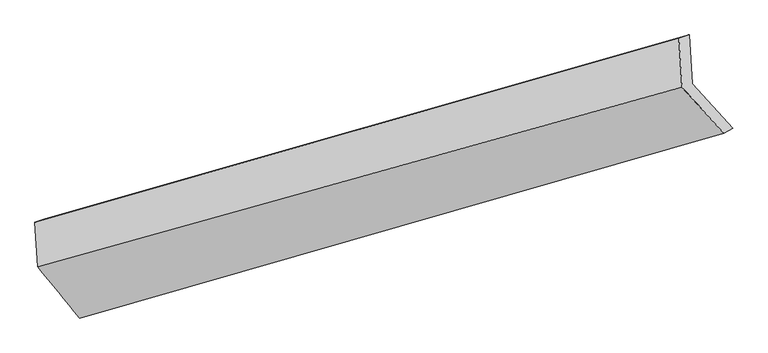
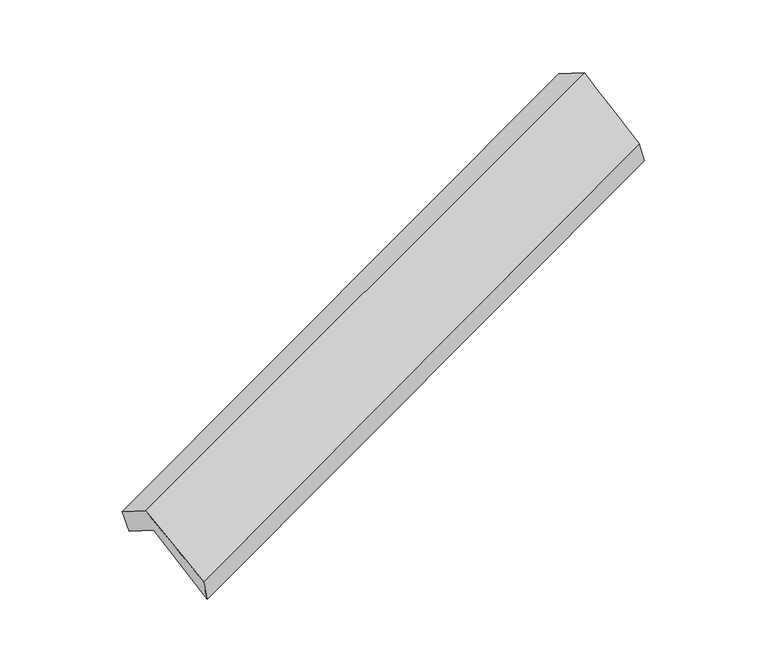
"""IFC4 building model written with IfcOpenShell, lengths in millimetres: proxy geometry."""

from ifc_helpers import new_model, si_unit, frame, origin, place, context, project, spatial, source, transform, mapped, element, save
from ifc_brep_helpers import plane_surface, spline_surface, advanced_brep


def generic_models_c912b7f9(model_context):
    return source(origin(), model_context, "Body", "AdvancedBrep", [
        advanced_brep(
        [(-5092.7394718, -2118.8393732, 1268.3613937), (-5112.9237438, -1796.3668528, 1071.2263427), (-751.6524676, -553.2908553, 2658.1017483), (-730.9349179, -884.2832469, 2860.4451974), (-5182.5107409, -1819.7587105, 1281.9596993), (-821.2394647, -576.682713, 2868.8351049), (-5163.6361567, -2121.3071013, 1466.3033368), (-800.521915, -907.6751046, 3071.178554), (-4879.7713107, -2468.9206731, 954.1670649), (-519.0333122, -1217.3248044, 2535.8340725), (-4819.5361073, -2419.3749508, 748.7740567), (-457.7315534, -1184.8188245, 2340.8578604)],
        [
            (0, 1),
            (1, 2),
            (2, 3),
            (3, 0),
            (1, 4),
            (4, 5),
            (5, 2),
            (4, 6),
            (6, 7),
            (7, 5),
            (6, 8),
            (8, 9),
            (9, 7),
            (8, 10),
            (10, 11),
            (11, 9),
            (10, 0),
            (3, 11),
        ],
        [
            plane_surface(frame((-5102.8316078, -1957.603113, 1169.7938682), z_axis=(0.41615211145746184, -0.4551686003576565, -0.7871714968022843), x_axis=(-0.05332776802126658, 0.8519871178181172, -0.5208398028471402))),
            plane_surface(frame((-5147.7172424, -1808.0627816, 1176.593021), z_axis=(-0.27894700095459135, 0.9601974453071584, 0.014471927447496938), x_axis=(-0.3118328116580723, -0.10482344485443451, 0.944336985923071))),
            plane_surface(frame((-5173.0734488, -1970.5329059, 1374.1315181), z_axis=(-0.41615211145746456, 0.4551686003576643, 0.7871714968022783), x_axis=(0.05332776802122156, -0.8519871178181243, 0.5208398028471332))),
            spline_surface(1, 1, [[(-5163.6361567, -2121.3071013, 1466.3033368), (-800.521915, -907.6751046, 3071.178554)], [(-4879.7713107, -2468.9206731, 954.1670649), (-519.0333122, -1217.3248044, 2535.8340725)]], [2, 2], [2, 2], [0.0, 1.0], [0.0, 1.0]),
            spline_surface(1, 1, [[(-4879.7713107, -2468.9206731, 954.1670649), (-519.0333122, -1217.3248044, 2535.8340725)], [(-4819.5361073, -2419.3749508, 748.7740567), (-457.7315534, -1184.8188245, 2340.8578604)]], [2, 2], [2, 2], [0.0, 1.0], [0.0, 1.0]),
            plane_surface(frame((-4956.1377895, -2269.107162, 1008.5677252), z_axis=(-0.05143655708021555, 0.8525217982916317, -0.5201546539572018), x_axis=(-0.4142619133135666, 0.45570611328883803, 0.7878572240507564))),
            plane_surface(frame((-680.1856052, -887.3459248, 2722.5420896), z_axis=(0.9085940877727887, 0.25777876053526, 0.3286440236505744), x_axis=(0.29620851643185425, 0.1570680561361609, -0.9421200244845919))),
            plane_surface(frame((-5041.8529219, -2124.0946103, 1131.798649), z_axis=(-0.9085940877727822, -0.2577787605353795, -0.32864402365049833), x_axis=(0.4142619133135647, -0.45570611328884836, -0.7878572240507514))),
        ],
        [
            (0, [[1, 2, 3, 4]]),
            (1, [[5, 6, 7, -2]]),
            (2, [[8, 9, 10, -6]]),
            (3, [[11, 12, 13, -9]]),
            (4, [[14, 15, 16, -12]]),
            (5, [[17, -4, 18, -15]]),
            (6, [[-16, -18, -3, -7, -10, -13]]),
            (7, [[-17, -14, -11, -8, -5, -1]]),
        ],
    ),
    ])


if __name__ == "__main__":
    model = new_model("IFC4")
    model_context = context("Model", 3, world=origin())
    ifc_project = project(units=[si_unit("LENGTHUNIT", "METRE", prefix="MILLI")], contexts=[model_context])
    site = spatial("IfcSite", under=ifc_project)
    building = spatial("IfcBuilding", under=site)
    placement = place(None, origin())
    generic_models_shape = generic_models_c912b7f9(model_context)
    element("IfcBuildingElementProxy", 1, Name="Generic Models", at=placement, inside=building, context=model_context, shape_type="MappedRepresentation", body=[
        mapped(generic_models_shape, transform((0.0, 0.0, 0.0), x_axis=(1.0, 0.0, 0.0), y_axis=(0.0, 1.0, 0.0), z_axis=(0.0, 0.0, 1.0))),
    ])
    save(model, "model.ifc")
